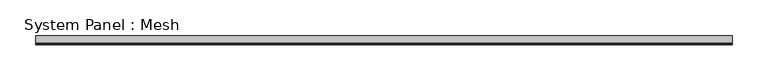
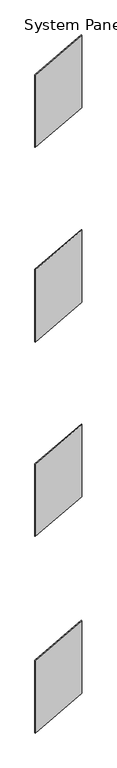
"""IFC4 building model written with IfcOpenShell, lengths in millimetres: plate geometry, System Panel : Mesh."""

from ifc_helpers import new_model, si_unit, frame, origin, place, context, project, spatial, polyline, outline, extrude, source, transform, mapped, element, save


def system_panel_mesh_71805715(model_context):
    return source(origin(), model_context, "Body", "SweptSolid", [
        extrude(outline(polyline([(0.0, -486.6666667), (543.4243176, 486.6666667), (2146.8448865, 486.6666667), (1603.4205689, -486.6666667), (0.0, -486.6666667)])), frame((0.0, -5.0, 0.0), z_axis=(0.0, 1.0, 0.0), x_axis=(0.0, 0.0, 1.0)), (0.0, 0.0, 1.0), 10.0),
        extrude(outline(polyline([(4350.6272044, -486.6666667), (4890.6702151, 486.6666667), (6491.7255382, 486.6666667), (5951.6825275, -486.6666667), (4350.6272044, -486.6666667)])), frame((0.0, -5.0, 0.0), z_axis=(0.0, 1.0, 0.0), x_axis=(0.0, 0.0, 1.0)), (0.0, 0.0, 1.0), 10.0),
        extrude(outline(polyline([(8650.6272044, -486.6666667), (9190.6702151, 486.6666667), (10791.7255382, 486.6666667), (10251.6825275, -486.6666667), (8650.6272044, -486.6666667)])), frame((0.0, -5.0, 0.0), z_axis=(0.0, 1.0, 0.0), x_axis=(0.0, 0.0, 1.0)), (0.0, 0.0, 1.0), 10.0),
        extrude(outline(polyline([(12958.2011586, -486.6666667), (13499.5000834, 486.6666667), (15101.4326104, 486.6666667), (14560.1336856, -486.6666667), (12958.2011586, -486.6666667)])), frame((0.0, -5.0, 0.0), z_axis=(0.0, 1.0, 0.0), x_axis=(0.0, 0.0, 1.0)), (0.0, 0.0, 1.0), 10.0),
    ])


if __name__ == "__main__":
    model = new_model("IFC4")
    model_context = context("Model", 3, world=origin())
    ifc_project = project(units=[si_unit("LENGTHUNIT", "METRE", prefix="MILLI")], contexts=[model_context])
    site = spatial("IfcSite", under=ifc_project)
    building = spatial("IfcBuilding", under=site)
    placement = place(None, origin())
    system_panel_mesh_shape = system_panel_mesh_71805715(model_context)
    element("IfcPlate", 1, ObjectType="System Panel : Mesh", at=placement, inside=building, context=model_context, shape_type="MappedRepresentation", body=[
        mapped(system_panel_mesh_shape, transform((0.0, 0.0, 0.0), x_axis=(1.0, 0.0, 0.0), y_axis=(0.0, 1.0, 0.0), z_axis=(0.0, 0.0, 1.0))),
    ])
    save(model, "model.ifc")
